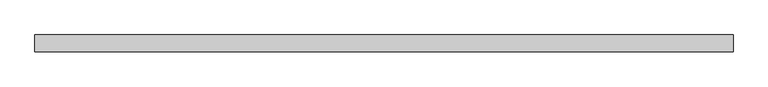
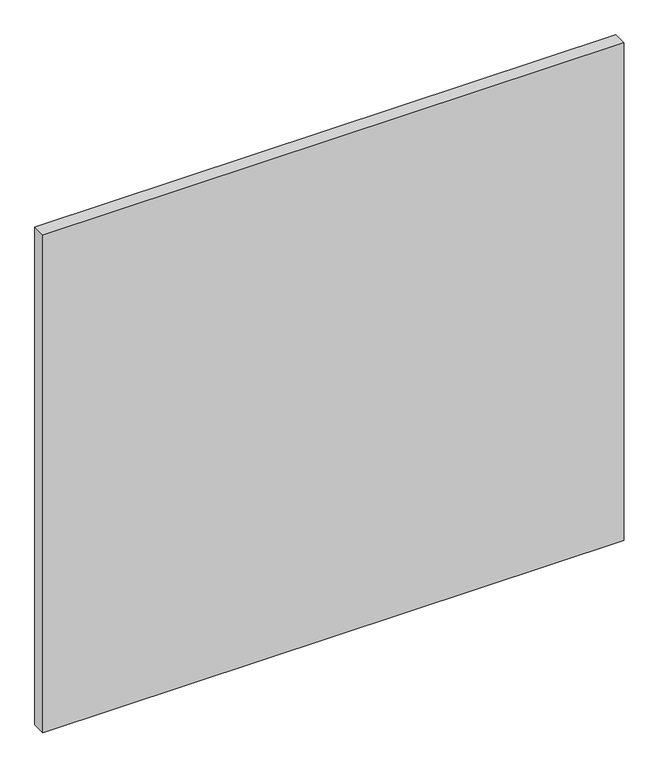
"""IFC4 building model written with IfcOpenShell, lengths in millimetres: plate geometry."""

from ifc_helpers import new_model, si_unit, origin, origin_with_axes, place, context, project, spatial, polyline, outline, extrude, source, transform, mapped, element, save


def plate_8952f117(model_context):
    return source(origin(), model_context, "Body", "SweptSolid", [
        extrude(outline(polyline([(525.0, -12.5), (-525.0, -12.5), (-525.0, 12.5), (525.0, 12.5), (525.0, -12.5)])), origin_with_axes(), (0.0, 0.0, 1.0), 950.0),
    ])


if __name__ == "__main__":
    model = new_model("IFC4")
    model_context = context("Model", 3, world=origin())
    ifc_project = project(units=[si_unit("LENGTHUNIT", "METRE", prefix="MILLI")], contexts=[model_context])
    site = spatial("IfcSite", under=ifc_project)
    building = spatial("IfcBuilding", under=site)
    placement = place(None, origin())
    plate_shape = plate_8952f117(model_context)
    element("IfcPlate", 1, at=placement, inside=building, context=model_context, shape_type="MappedRepresentation", body=[
        mapped(plate_shape, transform((0.0, 0.0, 0.0), x_axis=(1.0, 0.0, 0.0), y_axis=(0.0, 1.0, 0.0), z_axis=(0.0, 0.0, 1.0))),
    ])
    save(model, "model.ifc")
